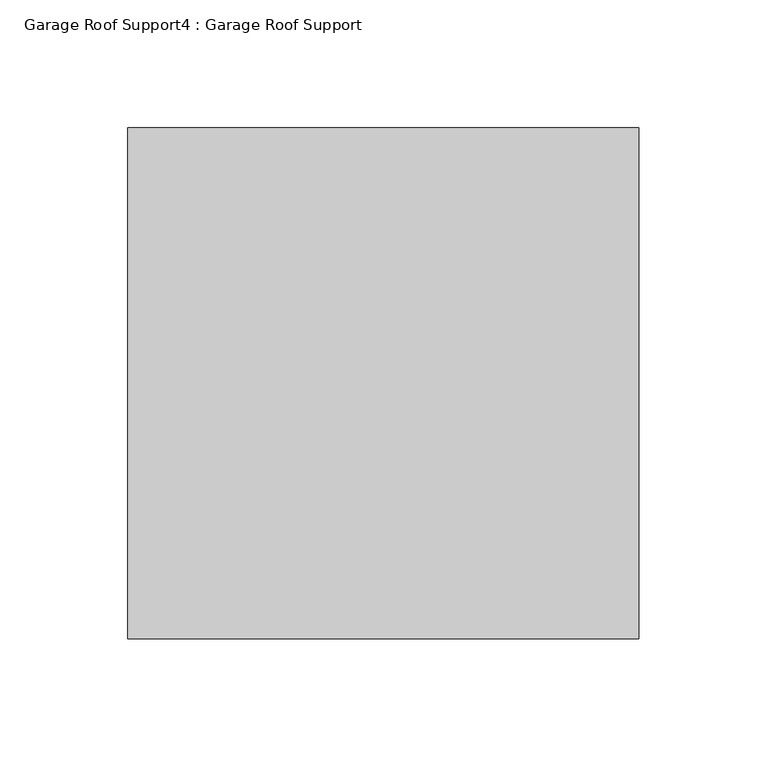
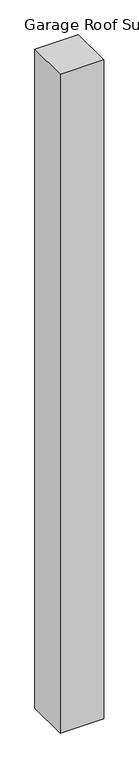
"""IFC4 building model written with IfcOpenShell, lengths in millimetres: proxy geometry, Garage Roof Support4 : Garage Roof Support."""

from ifc_helpers import new_model, si_unit, frame, origin, place, context, project, spatial, polyline, outline, extrude, source, transform, mapped, element, save


def garage_roof_support4_garage_roof_support_97e423b1(model_context):
    return source(origin(), model_context, "Body", "SweptSolid", [
        extrude(outline(polyline([(103535.5958541, -27293.1881628), (103735.5958541, -27293.1881628), (103735.5958541, -27493.1881628), (103535.5958541, -27493.1881628), (103535.5958541, -27293.1881628)])), frame((0.0, 0.0, 67622.8283578), z_axis=(0.0, 0.0, 1.0), x_axis=(1.0, 0.0, 0.0)), (0.0, 0.0, 1.0), 3197.1716422),
    ])


if __name__ == "__main__":
    model = new_model("IFC4")
    model_context = context("Model", 3, world=origin())
    ifc_project = project(units=[si_unit("LENGTHUNIT", "METRE", prefix="MILLI")], contexts=[model_context])
    site = spatial("IfcSite", under=ifc_project)
    building = spatial("IfcBuilding", under=site)
    placement = place(None, origin())
    garage_roof_support4_garage_roof_support_shape = garage_roof_support4_garage_roof_support_97e423b1(model_context)
    element("IfcBuildingElementProxy", 1, Name="Garage Roof Support4 : Garage Roof Support", ObjectType="Garage Roof Support4 : Garage Roof Support", at=placement, inside=building, context=model_context, shape_type="MappedRepresentation", body=[
        mapped(garage_roof_support4_garage_roof_support_shape, transform((0.0, 0.0, 0.0), x_axis=(1.0, 0.0, 0.0), y_axis=(0.0, 1.0, 0.0), z_axis=(0.0, 0.0, 1.0))),
    ])
    save(model, "model.ifc")
